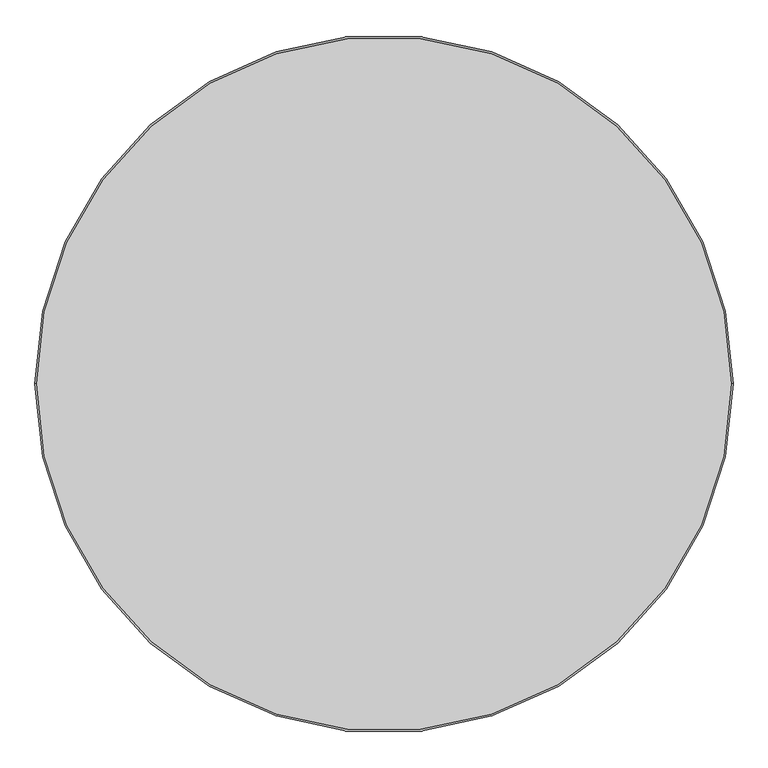
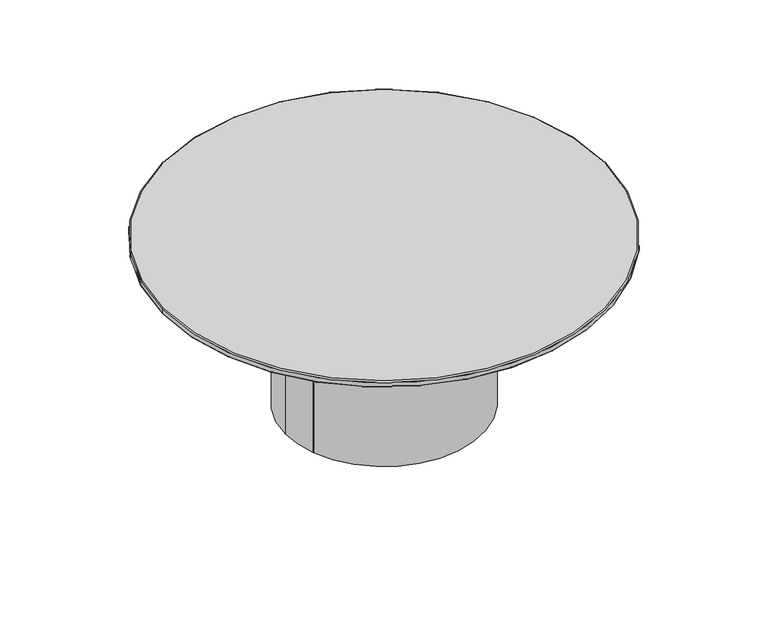
"""IFC4 building model written with IfcOpenShell, lengths in millimetres: furniture geometry."""

import ifcopenshell
import ifcopenshell.guid

model = None  # the IFC model being written
_history = None  # IfcOwnerHistory: only IFC2X3 demands one
_inside = {}  # id of a spatial element -> (the spatial element, [elements in it])
_under = {}  # id of a project, library or spatial element -> (it, [spatial elements below it])
_declared = {}  # id of a project -> (the project, [libraries it declares])
_typed = {}  # id of a type object -> (the type object, [elements of that type])
_made_of = {}  # id of a material, layer set ... -> (it, [elements and type objects made of it])


def new_model(schema):
    """Start an empty IFC model of exactly this schema.

    Asked for "IFC4X3", IfcOpenShell would pick the latest addendum, in which some entities
    have other attributes; the version numbers below select the first issue.
    IFC2X3 requires an IfcOwnerHistory on every rooted entity: one is made here for all.
    """
    global model, _history
    if schema == "IFC4X3":
        model = ifcopenshell.file(schema_version=(4, 3, 0, 0))
    else:
        model = ifcopenshell.file(schema=schema)
    _inside.clear()
    _under.clear()
    _declared.clear()
    _typed.clear()
    _made_of.clear()
    _history = None
    if model.schema == "IFC2X3":
        org = make("IfcOrganization", Name="unknown")
        user = make(
            "IfcPersonAndOrganization",
            ThePerson=make("IfcPerson", FamilyName="unknown"),
            TheOrganization=org,
        )
        app = make(
            "IfcApplication",
            ApplicationDeveloper=org,
            Version="unknown",
            ApplicationFullName="unknown",
            ApplicationIdentifier="unknown",
        )
        _history = make(
            "IfcOwnerHistory",
            OwningUser=user,
            OwningApplication=app,
            ChangeAction="ADDED",
            CreationDate=0,
        )
    return model


def make(cls, **values):
    """One entity of the class cls with the attributes given. An attribute that is None is left unset."""
    return model.create_entity(
        cls, **{name: value for name, value in values.items() if value is not None}
    )


def rooted(cls, **values):
    """An entity with a GlobalId (a new one), such as an element, a storey or a relation."""
    return make(cls, GlobalId=ifcopenshell.guid.new(), OwnerHistory=_history, **values)


def si_unit(unit_type, name, prefix=None):
    """IfcSIUnit, for example si_unit("LENGTHUNIT", "METRE", prefix="MILLI")."""
    return make("IfcSIUnit", UnitType=unit_type, Prefix=prefix, Name=name)


def assignment(units):
    """IfcUnitAssignment: the units of a project."""
    return None if units is None else make("IfcUnitAssignment", Units=units)


def point(xyz):
    """IfcCartesianPoint."""
    return None if xyz is None else make("IfcCartesianPoint", Coordinates=xyz)


def direction(xyz):
    """IfcDirection."""
    return None if xyz is None else make("IfcDirection", DirectionRatios=xyz)


def frame(location, z_axis=None, x_axis=None):
    """IfcAxis2Placement3D, a coordinate frame: its origin and axes. An axis left out is left unset."""
    return make(
        "IfcAxis2Placement3D",
        Location=point(location),
        Axis=direction(z_axis),
        RefDirection=direction(x_axis),
    )


def frame_2d(location, x_axis=None):
    """IfcAxis2Placement2D, a coordinate frame in the plane: its origin and x axis."""
    return make(
        "IfcAxis2Placement2D", Location=point(location), RefDirection=direction(x_axis)
    )


def origin():
    """The frame at (0, 0, 0) with its axes left unset."""
    return frame((0.0, 0.0, 0.0))


def origin_with_axes():
    """The frame at (0, 0, 0) with the z axis (0, 0, 1) and the x axis (1, 0, 0) written out."""
    return frame((0.0, 0.0, 0.0), z_axis=(0.0, 0.0, 1.0), x_axis=(1.0, 0.0, 0.0))


def origin_2d():
    """The frame at (0, 0) in the plane with its x axis left unset."""
    return frame_2d((0.0, 0.0))


def place(relative_to, where):
    """IfcLocalPlacement: puts the frame where relative to a parent placement (None: the world)."""
    return make(
        "IfcLocalPlacement", PlacementRelTo=relative_to, RelativePlacement=where
    )


def context(
    kind, dimensions, precision=None, world=None, true_north=None, identifier=None
):
    """IfcGeometricRepresentationContext, for example the 3D "Model" context."""
    return make(
        "IfcGeometricRepresentationContext",
        ContextIdentifier=identifier,
        ContextType=kind,
        CoordinateSpaceDimension=dimensions,
        Precision=precision,
        WorldCoordinateSystem=world,
        TrueNorth=true_north,
    )


def project(units=None, contexts=None):
    """IfcProject with its units and contexts."""
    return rooted(
        "IfcProject",
        Name="project",
        RepresentationContexts=contexts,
        UnitsInContext=assignment(units),
    )


def spatial(cls, under=None, at=None, **own):
    """A site, building, storey or space (cls), placed at a placement, below another one or the project."""
    s = rooted(cls, ObjectPlacement=at, **own)
    if under is not None:
        _under.setdefault(under.id(), (under, []))[1].append(s)
    return s


def circle_curve(where, radius):
    """IfcCircle in the frame where."""
    return make("IfcCircle", Position=where, Radius=radius)


def ellipse_curve(where, semi_axis1, semi_axis2):
    """IfcEllipse in the frame where."""
    return make(
        "IfcEllipse", Position=where, SemiAxis1=semi_axis1, SemiAxis2=semi_axis2
    )


def trimmed(basis, trim1, trim2, sense, master):
    """IfcTrimmedCurve: the piece of a basis curve between two trims."""
    return make(
        "IfcTrimmedCurve",
        BasisCurve=basis,
        Trim1=trim1,
        Trim2=trim2,
        SenseAgreement=sense,
        MasterRepresentation=master,
    )


def segment(curve, same_sense, transition):
    """IfcCompositeCurveSegment."""
    return make(
        "IfcCompositeCurveSegment",
        Transition=transition,
        SameSense=same_sense,
        ParentCurve=curve,
    )


def composite_curve(segments, self_intersect=None):
    """IfcCompositeCurve: segments joined end to end."""
    return make("IfcCompositeCurve", Segments=segments, SelfIntersect=self_intersect)


def outline(outer, holes=None, kind="AREA"):
    """IfcArbitraryClosedProfileDef: a profile drawn as a closed curve; with holes, ...WithVoids."""
    if holes is None:
        return make("IfcArbitraryClosedProfileDef", ProfileType=kind, OuterCurve=outer)
    return make(
        "IfcArbitraryProfileDefWithVoids",
        ProfileType=kind,
        OuterCurve=outer,
        InnerCurves=holes,
    )


def extrude(swept, where, along, depth):
    """IfcExtrudedAreaSolid: the profile swept, set in the frame where, extruded along a direction by depth."""
    return make(
        "IfcExtrudedAreaSolid",
        SweptArea=swept,
        Position=where,
        ExtrudedDirection=direction(along),
        Depth=depth,
    )


def shape(context_of_items, identifier, shape_type, items):
    """IfcShapeRepresentation: the items that make up one representation, for example the "Body"."""
    return make(
        "IfcShapeRepresentation",
        ContextOfItems=context_of_items,
        RepresentationIdentifier=identifier,
        RepresentationType=shape_type,
        Items=items,
    )


def source(mapping_origin, context_of_items, identifier, shape_type, items):
    """IfcRepresentationMap: a shape defined once, which mapped items show again and again."""
    return make(
        "IfcRepresentationMap",
        MappingOrigin=mapping_origin,
        MappedRepresentation=shape(context_of_items, identifier, shape_type, items),
    )


def transform(
    local_origin,
    x_axis=None,
    y_axis=None,
    z_axis=None,
    scale=None,
    scale2=None,
    scale3=None,
    uniform=True,
):
    """IfcCartesianTransformationOperator3D, or its non-uniform kind. x_axis, y_axis, z_axis: its Axis1, 2, 3."""
    if uniform:
        return make(
            "IfcCartesianTransformationOperator3D",
            Axis1=direction(x_axis),
            Axis2=direction(y_axis),
            LocalOrigin=point(local_origin),
            Scale=scale,
            Axis3=direction(z_axis),
        )
    return make(
        "IfcCartesianTransformationOperator3DnonUniform",
        Axis1=direction(x_axis),
        Axis2=direction(y_axis),
        LocalOrigin=point(local_origin),
        Scale=scale,
        Axis3=direction(z_axis),
        Scale2=scale2,
        Scale3=scale3,
    )


def mapped(mapping_source, mapping_target):
    """IfcMappedItem: shows the shape of a source again, moved by a transform."""
    return make(
        "IfcMappedItem", MappingSource=mapping_source, MappingTarget=mapping_target
    )


def made_of(thing, what):
    """Note that an element or type object is made of a material, layer set ...; save() writes the relation."""
    if what is not None:
        _made_of.setdefault(what.id(), (what, []))[1].append(thing)
    return thing


def element(
    cls,
    number,
    at=None,
    inside=None,
    cuts=None,
    type_object=None,
    material=None,
    context=None,
    identifier="Body",
    shape_type=None,
    held_by="IfcProductDefinitionShape",
    body=None,
    shapes=None,
    **own,
):
    """One element of the class cls, such as IfcWall. Its Tag is "e" and its number.

    at: its placement. inside: the storey or other place that contains it. cuts: it is an
    opening in that element (IfcRelVoidsElement). A single representation is given by context,
    identifier, shape_type and body (its items); several are given by shapes. held_by: the class
    of the entity that holds the representations. save() writes the other relations.
    """
    e = rooted(cls, Tag="e%d" % number, ObjectPlacement=at, **own)
    if body is not None:
        shapes = [shape(context, identifier, shape_type, body)]
    if shapes is not None:
        e.Representation = make(held_by, Representations=shapes)
    if inside is not None:
        _inside.setdefault(inside.id(), (inside, []))[1].append(e)
    if cuts is not None:
        rooted(
            "IfcRelVoidsElement", RelatingBuildingElement=cuts, RelatedOpeningElement=e
        )
    if type_object is not None:
        _typed.setdefault(type_object.id(), (type_object, []))[1].append(e)
    return made_of(e, material)


def aggregate(whole, parts):
    """IfcRelAggregates: a whole, such as a stair, and the parts it consists of."""
    return rooted("IfcRelAggregates", RelatingObject=whole, RelatedObjects=parts)


def save(model, path):
    """Write the relations noted so far, then the file.

    IfcRelAggregates (storeys below a building ...), IfcRelContainedInSpatialStructure (elements
    in a storey), IfcRelDefinesByType, IfcRelAssociatesMaterial and IfcRelDeclares: one each for
    every whole, place, type object, material and project.
    """
    for whole, parts in _under.values():
        aggregate(whole, parts)
    for where, things in _inside.values():
        rooted(
            "IfcRelContainedInSpatialStructure",
            RelatedElements=things,
            RelatingStructure=where,
        )
    for kind, things in _typed.values():
        rooted("IfcRelDefinesByType", RelatedObjects=things, RelatingType=kind)
    for what, things in _made_of.values():
        rooted("IfcRelAssociatesMaterial", RelatedObjects=things, RelatingMaterial=what)
    for by, libraries in _declared.values():
        rooted("IfcRelDeclares", RelatingContext=by, RelatedDefinitions=libraries)
    model.write(path)


def plane_surface(at):
    """IfcPlane: the flat surface through the origin of the frame at, square to its z axis."""
    return make("IfcPlane", Position=at)


def cylinder_surface(at, radius):
    """IfcCylindricalSurface: all points at the distance radius from the z axis of the frame at."""
    return make("IfcCylindricalSurface", Position=at, Radius=radius)


def revolved_surface(curve, axis_point, axis_direction):
    """IfcSurfaceOfRevolution: the curve turned about the line through axis_point along axis_direction."""
    return make(
        "IfcSurfaceOfRevolution",
        SweptCurve=make("IfcArbitraryOpenProfileDef", ProfileType="CURVE", Curve=curve),
        AxisPosition=make("IfcAxis1Placement", Location=point(axis_point), Axis=direction(axis_direction)),
    )


def advanced_brep(points, edges, surfaces, faces):
    """IfcAdvancedBrep: a solid bounded by faces that lie on surfaces and meet in shared edges.

    An edge is (start, end): straight between two places in points (the first is 0);
    or (start, end, curve); or (start, end, curve, False) where it runs against its curve.
    A face is (place in surfaces, loops), or (place, loops, False) where it looks against
    its surface's normal. A loop lists edges by number (the first is 1), with a minus sign
    where the edge is run from its end to its start. The first loop is the outer one.
    """
    corners = [point(p) for p in points]
    vertices = [make("IfcVertexPoint", VertexGeometry=c) for c in corners]
    made = []
    for start, end, *more in edges:
        made.append(
            make(
                "IfcEdgeCurve",
                EdgeStart=vertices[start],
                EdgeEnd=vertices[end],
                EdgeGeometry=more[0] if more else make("IfcPolyline", Points=[corners[start], corners[end]]),
                SameSense=more[1] if len(more) > 1 else True,
            )
        )
    hull = []
    for where, loops, *sense in faces:
        bounds = []
        for j, loop in enumerate(loops):
            ring = [make("IfcOrientedEdge", EdgeElement=made[abs(k) - 1], Orientation=k > 0) for k in loop]
            bounds.append(
                make(
                    "IfcFaceOuterBound" if j == 0 else "IfcFaceBound",
                    Bound=make("IfcEdgeLoop", EdgeList=ring),
                    Orientation=True,
                )
            )
        hull.append(make("IfcAdvancedFace", Bounds=bounds, FaceSurface=surfaces[where], SameSense=sense[0] if sense else True))
    return make("IfcAdvancedBrep", Outer=make("IfcClosedShell", CfsFaces=hull))


def furniture_b209a792(model_context):
    return source(origin(), model_context, "Body", "SolidModel", [
        extrude(outline(composite_curve([segment(trimmed(circle_curve(origin_2d(), 399.9440986), [point((-399.9440986, 0.0))], [point((399.9440986, 0.0))], False, "CARTESIAN"), True, "CONTINUOUS"), segment(trimmed(circle_curve(origin_2d(), 399.9440986), [point((399.9440986, 0.0))], [point((-370.9877611, -149.4100504))], False, "CARTESIAN"), True, "CONTINUOUS"), segment(trimmed(circle_curve(frame_2d((-368.827896, -148.5401954)), 2.3284469), [point((-370.9877611, -149.4100504))], [point((-369.6850878, -146.3752735))], False, "CARTESIAN"), True, "CONTINUOUS"), segment(trimmed(circle_curve(frame_2d((-370.5422797, -144.2103515)), 2.3284469), [point((-369.6850878, -146.3752735))], [point((-372.7121842, -145.0548509))], False, "CARTESIAN"), True, "CONTINUOUS"), segment(trimmed(circle_curve(origin_2d(), 399.9440986), [point((-372.7121842, -145.0548509))], [point((-399.9440986, 0.0))], False, "CARTESIAN"), True, "CONTINUOUS")], self_intersect=False), holes=[composite_curve([segment(trimmed(circle_curve(origin_2d(), 250.0), [point((-250.0, 0.0))], [point((250.0, 0.0))], True, "CARTESIAN"), True, "CONTINUOUS"), segment(trimmed(circle_curve(origin_2d(), 250.0), [point((250.0, 0.0))], [point((-250.0, 0.0))], True, "CARTESIAN"), True, "CONTINUOUS")], self_intersect=False)]), frame((0.0, 0.0, 4.8896843), z_axis=(0.0, 0.0, 1.0), x_axis=(1.0, 0.0, 0.0)), (0.0, 0.0, 1.0), 690.6227058),
        advanced_brep(
        [(-895.0, 0.0, 719.8873901), (895.0, 0.0, 719.8873901), (898.0, 0.0, 695.5123901), (-898.0, 0.0, 695.5123901), (900.0, 0.0, 714.8873901), (-900.0, 0.0, 714.8873901), (-900.0, 0.0, 697.5123901), (900.0, 0.0, 697.5123901)],
        [
            (0, 1, circle_curve(frame((0.0, 0.0, 719.8873901), z_axis=(0.0, 0.0, 1.0), x_axis=(1.0, 0.0, 0.0)), 895.0)),
            (1, 0, circle_curve(frame((0.0, 0.0, 719.8873901), z_axis=(0.0, 0.0, 1.0), x_axis=(-1.0, 0.0, 0.0)), 895.0)),
            (2, 3, circle_curve(frame((0.0, 0.0, 695.5123901), z_axis=(0.0, 0.0, -1.0), x_axis=(-1.0, 0.0, 0.0)), 898.0)),
            (3, 2, circle_curve(frame((0.0, 0.0, 695.5123901), z_axis=(0.0, 0.0, -1.0), x_axis=(1.0, 0.0, 0.0)), 898.0)),
            (4, 5, circle_curve(frame((0.0, 0.0, 714.8873901), z_axis=(0.0, 0.0, -1.0), x_axis=(1.0, 0.0, 0.0)), 900.0)),
            (5, 6),
            (6, 7, circle_curve(frame((0.0, 0.0, 697.5123901), z_axis=(0.0, 0.0, 1.0), x_axis=(1.0, 0.0, 0.0)), 900.0)),
            (7, 4),
            (5, 4, circle_curve(frame((0.0, 0.0, 714.8873901), z_axis=(0.0, 0.0, -1.0), x_axis=(1.0, 0.0, 0.0)), 900.0)),
            (7, 6, circle_curve(frame((0.0, 0.0, 697.5123901), z_axis=(0.0, 0.0, 1.0), x_axis=(1.0, 0.0, 0.0)), 900.0)),
            (2, 7, circle_curve(frame((898.0, 0.0, 697.5123901), z_axis=(0.0, -1.0, 0.0), x_axis=(1.0, 0.0, 0.0)), 2.0)),
            (6, 3, circle_curve(frame((-898.0, 0.0, 697.5123901), z_axis=(0.0, -1.0, 0.0), x_axis=(-1.0, 0.0, 0.0)), 2.0)),
            (0, 5, circle_curve(frame((-895.0, 0.0, 714.8873901), z_axis=(0.0, -1.0, 0.0), x_axis=(-1.0, 0.0, 0.0)), 5.0)),
            (4, 1, circle_curve(frame((895.0, 0.0, 714.8873901), z_axis=(0.0, -1.0, 0.0), x_axis=(1.0, 0.0, 0.0)), 5.0)),
        ],
        [
            plane_surface(frame((900.0, 0.0, 719.8873901), z_axis=(0.0, 0.0, 1.0), x_axis=(0.0, 1.0, 0.0))),
            plane_surface(frame((900.0, 0.0, 695.5123901), z_axis=(0.0, 0.0, -1.0), x_axis=(0.0, -1.0, 0.0))),
            cylinder_surface(frame((0.0, 0.0, 695.5123901), z_axis=(0.0, 0.0, 1.0), x_axis=(1.0, 0.0, 0.0)), 900.0),
            revolved_surface(trimmed(ellipse_curve(frame((-898.0, 0.0, 697.5123901), z_axis=(0.0, 1.0, 0.0), x_axis=(-1.0, 0.0, 0.0)), 2.0, 2.0), [point((-898.0, 0.0, 695.5123901))], [point((-900.0, 0.0, 697.5123901))], True, "CARTESIAN"), (0.0, 0.0, 695.5123901), (0.0, 0.0, 1.0)),
            revolved_surface(trimmed(ellipse_curve(frame((898.0, 0.0, 697.5123901), z_axis=(0.0, -1.0, 0.0), x_axis=(1.0, 0.0, 0.0)), 2.0, 2.0), [point((898.0, 0.0, 695.5123901))], [point((900.0, 0.0, 697.5123901))], True, "CARTESIAN"), (0.0, 0.0, 695.5123901), (0.0, 0.0, 1.0)),
            revolved_surface(trimmed(ellipse_curve(frame((895.0, 0.0, 714.8873901), z_axis=(0.0, 1.0, 0.0), x_axis=(1.0, 0.0, 0.0)), 5.0, 5.0), [point((895.0, 0.0, 719.8873901))], [point((900.0, 0.0, 714.8873901))], True, "CARTESIAN"), (0.0, 0.0, 719.8873901), (0.0, 0.0, -1.0)),
            revolved_surface(trimmed(ellipse_curve(frame((-895.0, 0.0, 714.8873901), z_axis=(0.0, -1.0, 0.0), x_axis=(-1.0, 0.0, 0.0)), 5.0, 5.0), [point((-895.0, 0.0, 719.8873901))], [point((-900.0, 0.0, 714.8873901))], True, "CARTESIAN"), (0.0, 0.0, 719.8873901), (0.0, 0.0, -1.0)),
        ],
        [
            (0, [[1, 2]]),
            (1, [[3, 4]]),
            (2, [[5, 6, 7, 8]]),
            (2, [[9, -8, 10, -6]]),
            (3, [[11, -7, 12, -3]]),
            (4, [[-11, -4, -12, -10]]),
            (5, [[13, -5, 14, -1]]),
            (6, [[-13, -2, -14, -9]]),
        ],
    ),
        extrude(outline(composite_curve([segment(trimmed(circle_curve(frame_2d((-380.3315735, 0.0)), 8.5), [point((-388.8315735, 0.0))], [point((-371.8315735, 0.0))], False, "CARTESIAN"), True, "CONTINUOUS"), segment(trimmed(circle_curve(frame_2d((-380.3315735, 0.0)), 8.5), [point((-371.8315735, 0.0))], [point((-388.8315735, 0.0))], False, "CARTESIAN"), True, "CONTINUOUS")], self_intersect=False)), origin_with_axes(), (0.0, 0.0, 1.0), 4.8896843),
        extrude(outline(composite_curve([segment(trimmed(circle_curve(frame_2d((380.3315735, 0.0)), 8.5), [point((371.8315735, 0.0))], [point((388.8315735, 0.0))], False, "CARTESIAN"), True, "CONTINUOUS"), segment(trimmed(circle_curve(frame_2d((380.3315735, 0.0)), 8.5), [point((388.8315735, 0.0))], [point((371.8315735, 0.0))], False, "CARTESIAN"), True, "CONTINUOUS")], self_intersect=False)), origin_with_axes(), (0.0, 0.0, 1.0), 4.8896843),
        extrude(outline(composite_curve([segment(trimmed(circle_curve(frame_2d((0.0, 380.6967023)), 8.5), [point((-8.5, 380.6967023))], [point((8.5, 380.6967023))], False, "CARTESIAN"), True, "CONTINUOUS"), segment(trimmed(circle_curve(frame_2d((0.0, 380.6967023)), 8.5), [point((8.5, 380.6967023))], [point((-8.5, 380.6967023))], False, "CARTESIAN"), True, "CONTINUOUS")], self_intersect=False)), origin_with_axes(), (0.0, 0.0, 1.0), 4.8896843),
        extrude(outline(composite_curve([segment(trimmed(circle_curve(frame_2d((0.0, -380.6967023)), 8.5), [point((-8.5, -380.6967023))], [point((8.5, -380.6967023))], False, "CARTESIAN"), True, "CONTINUOUS"), segment(trimmed(circle_curve(frame_2d((0.0, -380.6967023)), 8.5), [point((8.5, -380.6967023))], [point((-8.5, -380.6967023))], False, "CARTESIAN"), True, "CONTINUOUS")], self_intersect=False)), origin_with_axes(), (0.0, 0.0, 1.0), 4.8896843),
    ])


if __name__ == "__main__":
    model = new_model("IFC4")
    model_context = context("Model", 3, world=origin())
    ifc_project = project(units=[si_unit("LENGTHUNIT", "METRE", prefix="MILLI")], contexts=[model_context])
    site = spatial("IfcSite", under=ifc_project)
    building = spatial("IfcBuilding", under=site)
    placement = place(None, origin())
    furniture_shape = furniture_b209a792(model_context)
    element("IfcFurniture", 1, at=placement, inside=building, context=model_context, shape_type="MappedRepresentation", body=[
        mapped(furniture_shape, transform((0.0, 0.0, 0.0), x_axis=(1.0, 0.0, 0.0), y_axis=(0.0, 1.0, 0.0), z_axis=(0.0, 0.0, 1.0))),
    ])
    save(model, "model.ifc")
